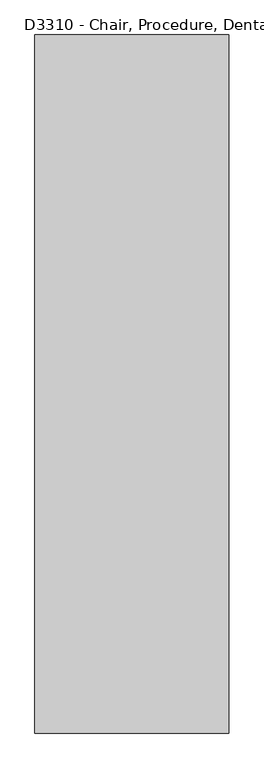
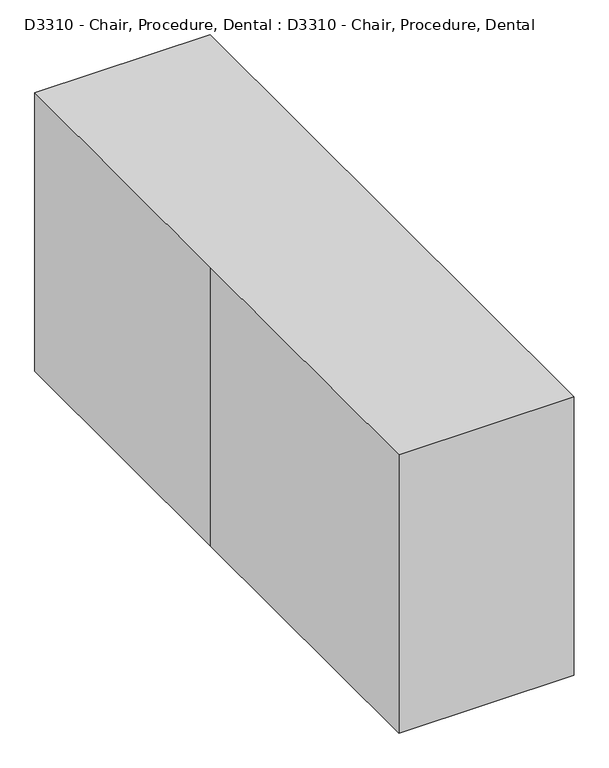
"""IFC4 building model written with IfcOpenShell, lengths in millimetres: proxy geometry, D3310 - Chair, Procedure, Dental : D3310 - Chair, Procedure, Dental."""

from ifc_helpers import new_model, si_unit, point, frame, frame_2d, origin, origin_with_axes, place, context, project, spatial, polyline, circle_curve, ellipse_curve, trimmed, segment, composite_curve, outline, extrude, source, transform, mapped, element, save
from ifc_brep_helpers import plane_surface, spline_surface, advanced_brep


def d3310_chair_procedure_dental_d3310_chair_procedure_dental_46d4fcfd(model_context):
    return source(origin(), model_context, "Body", "SolidModel", [
        extrude(outline(composite_curve([segment(trimmed(circle_curve(frame_2d((489.7654805, 647.772225)), 31.75), [point((504.1673656, 676.0679527))], [point((478.9625427, 617.9165884))], False, "CARTESIAN"), True, "CONTINUOUS"), segment(polyline([(478.9625427, 617.9165884), (206.8538697, 716.3761557), (73.5038697, 716.3761557), (73.5038697, 741.7761557), (219.5538697, 741.7761557), (504.1673656, 676.0679527)]), True, "CONTINUOUS")], self_intersect=False)), frame((253.0723452, 0.0, 0.0), z_axis=(1.0, 0.0, 0.0), x_axis=(0.0, 1.0, 0.0)), (0.0, 0.0, 1.0), 50.8),
        extrude(outline(composite_curve([segment(trimmed(circle_curve(frame_2d((489.7654805, 647.772225)), 31.75), [point((504.1673656, 676.0679527))], [point((478.9625427, 617.9165884))], False, "CARTESIAN"), True, "CONTINUOUS"), segment(polyline([(478.9625427, 617.9165884), (206.8538697, 716.3761557), (73.5038697, 716.3761557), (73.5038697, 741.7761557), (219.5538697, 741.7761557), (504.1673656, 676.0679527)]), True, "CONTINUOUS")], self_intersect=False)), frame((-303.8723452, 0.0, 0.0), z_axis=(1.0, 0.0, 0.0), x_axis=(0.0, 1.0, 0.0)), (0.0, 0.0, 1.0), 50.8),
        extrude(outline(polyline([(310.7877426, 480.8103013), (395.9168302, 542.6602038), (411.5546317, 522.6447306), (310.7877426, 449.4333003), (310.7877426, 480.8103013)])), frame((-50.8, 0.0, 0.0), z_axis=(1.0, 0.0, 0.0), x_axis=(0.0, 1.0, 0.0)), (0.0, 0.0, 1.0), 101.6),
        extrude(outline(polyline([(0.0, -12.7000001), (0.0, 0.0), (50.8, 0.0), (50.8, -12.7000001), (0.0, -12.7000001)])), frame((25.4, 864.322553, 876.3857997), z_axis=(0.0, -0.6156614753256595, 0.788010753606721), x_axis=(-1.0, 0.0, 0.0)), (0.0, 0.0, 1.0), 25.4),
        extrude(outline(composite_curve([segment(trimmed(circle_curve(frame_2d((208.2843618, -50.8)), 50.8), [point((208.2843618, 0.0))], [point((243.3133982, -14.0086069))], False, "CARTESIAN"), True, "CONTINUOUS"), segment(polyline([(243.3133982, -14.0086069), (332.2133982, -167.9879237)]), True, "CONTINUOUS"), segment(trimmed(circle_curve(frame_2d((16.6967808, -350.1515277)), 364.327208), [point((332.2133982, -167.9879237))], [point((381.0, -345.9707394))], False, "CARTESIAN"), True, "CONTINUOUS"), segment(polyline([(381.0, -345.9707394), (381.0, -422.1707394)]), True, "CONTINUOUS"), segment(trimmed(circle_curve(frame_2d((182.0559291, -422.1707394)), 198.9440709), [point((381.0, -422.1707394))], [point((309.9347129, -574.5707394))], False, "CARTESIAN"), True, "CONTINUOUS"), segment(polyline([(309.9347129, -574.5707394), (-50.8, -574.5707394)]), True, "CONTINUOUS"), segment(trimmed(circle_curve(frame_2d((22.4448791, -442.6982999)), 150.8481111), [point((-50.8, -574.5707394))], [point((-127.0, -422.1707394))], False, "CARTESIAN"), True, "CONTINUOUS"), segment(polyline([(-127.0, -422.1707394), (-127.0, -345.9707394)]), True, "CONTINUOUS"), segment(trimmed(circle_curve(frame_2d((237.3032192, -350.1515277)), 364.327208), [point((-127.0, -345.9707394))], [point((-78.2133982, -167.9879237))], False, "CARTESIAN"), True, "CONTINUOUS"), segment(polyline([(-78.2133982, -167.9879237), (10.6866018, -14.0086069)]), True, "CONTINUOUS"), segment(trimmed(circle_curve(frame_2d((45.7156382, -50.8)), 50.8), [point((10.6866018, -14.0086069))], [point((45.7156382, 0.0))], False, "CARTESIAN"), True, "CONTINUOUS"), segment(polyline([(45.7156382, 0.0), (208.2843618, 0.0)]), True, "CONTINUOUS")], self_intersect=False)), frame((-127.0, 864.322553, 876.3857997), z_axis=(0.0, -0.6156614753256581, 0.7880107536067222), x_axis=(1.0, 0.0, 0.0)), (0.0, 0.0, 1.0), 25.4),
        extrude(outline(composite_curve([segment(trimmed(circle_curve(frame_2d((101.6, -50.8)), 50.8), [point((101.6, 0.0))], [point((152.4, -50.8))], False, "CARTESIAN"), True, "CONTINUOUS"), segment(polyline([(152.4, -50.8), (152.4, -101.6)]), True, "CONTINUOUS"), segment(trimmed(circle_curve(frame_2d((101.6, -101.6)), 50.8), [point((152.4, -101.6))], [point((101.6, -152.3999999))], False, "CARTESIAN"), True, "CONTINUOUS"), segment(polyline([(101.6, -152.3999999), (50.8, -152.3999999)]), True, "CONTINUOUS"), segment(trimmed(circle_curve(frame_2d((50.8, -101.6)), 50.8), [point((50.8, -152.3999999))], [point((0.0, -101.6))], False, "CARTESIAN"), True, "CONTINUOUS"), segment(polyline([(0.0, -101.6), (0.0, -50.8)]), True, "CONTINUOUS"), segment(trimmed(circle_curve(frame_2d((50.8, -50.8)), 50.8), [point((0.0, -50.8))], [point((50.8, 0.0))], False, "CARTESIAN"), True, "CONTINUOUS"), segment(polyline([(50.8, 0.0), (101.6, 0.0)]), True, "CONTINUOUS")], self_intersect=False)), frame((-76.2, 994.4231284, 978.0315093), z_axis=(0.0, -0.6156614753256581, 0.7880107536067222), x_axis=(1.0, 0.0, 0.0)), (0.0, 0.0, 1.0), 25.4),
        extrude(outline(composite_curve([segment(trimmed(circle_curve(frame_2d((208.2843618, -50.8)), 50.8), [point((208.2843618, 0.0))], [point((243.3133982, -14.0086069))], False, "CARTESIAN"), True, "CONTINUOUS"), segment(polyline([(243.3133982, -14.0086069), (332.2133982, -167.9879237)]), True, "CONTINUOUS"), segment(trimmed(circle_curve(frame_2d((16.6967808, -350.1515277)), 364.327208), [point((332.2133982, -167.9879237))], [point((381.0, -345.9707394))], False, "CARTESIAN"), True, "CONTINUOUS"), segment(polyline([(381.0, -345.9707394), (381.0, -422.1707394)]), True, "CONTINUOUS"), segment(trimmed(circle_curve(frame_2d((182.0559291, -422.1707394)), 198.9440709), [point((381.0, -422.1707394))], [point((309.9347129, -574.5707394))], False, "CARTESIAN"), True, "CONTINUOUS"), segment(polyline([(309.9347129, -574.5707394), (-50.8, -574.5707394)]), True, "CONTINUOUS"), segment(trimmed(circle_curve(frame_2d((22.4448791, -442.6982998)), 150.8481111), [point((-50.8, -574.5707394))], [point((-127.0, -422.1707394))], False, "CARTESIAN"), True, "CONTINUOUS"), segment(polyline([(-127.0, -422.1707394), (-127.0, -345.9707394)]), True, "CONTINUOUS"), segment(trimmed(circle_curve(frame_2d((237.3032192, -350.1515277)), 364.327208), [point((-127.0, -345.9707394))], [point((-78.2133982, -167.9879237))], False, "CARTESIAN"), True, "CONTINUOUS"), segment(polyline([(-78.2133982, -167.9879237), (10.6866018, -14.0086069)]), True, "CONTINUOUS"), segment(trimmed(circle_curve(frame_2d((45.7156382, -50.8)), 50.8), [point((10.6866018, -14.0086069))], [point((45.7156382, 0.0))], False, "CARTESIAN"), True, "CONTINUOUS"), segment(polyline([(45.7156382, 0.0), (208.2843618, 0.0)]), True, "CONTINUOUS")], self_intersect=False)), frame((-127.0, 848.6847515, 896.4012729), z_axis=(0.0, -0.6156614753256581, 0.7880107536067222), x_axis=(1.0, 0.0, 0.0)), (0.0, 0.0, 1.0), 50.8),
        extrude(outline(composite_curve([segment(trimmed(circle_curve(frame_2d((101.6, -50.8)), 50.8), [point((101.6, 0.0))], [point((152.4, -50.8))], False, "CARTESIAN"), True, "CONTINUOUS"), segment(polyline([(152.4, -50.8), (152.4, -101.6)]), True, "CONTINUOUS"), segment(trimmed(circle_curve(frame_2d((101.6, -101.6)), 50.8), [point((152.4, -101.6))], [point((101.6, -152.4))], False, "CARTESIAN"), True, "CONTINUOUS"), segment(polyline([(101.6, -152.4), (50.8, -152.4)]), True, "CONTINUOUS"), segment(trimmed(circle_curve(frame_2d((50.8, -101.6)), 50.8), [point((50.8, -152.4))], [point((0.0, -101.6))], False, "CARTESIAN"), True, "CONTINUOUS"), segment(polyline([(0.0, -101.6), (0.0, -50.8)]), True, "CONTINUOUS"), segment(trimmed(circle_curve(frame_2d((50.8, -50.8)), 50.8), [point((0.0, -50.8))], [point((50.8, 0.0))], False, "CARTESIAN"), True, "CONTINUOUS"), segment(polyline([(50.8, 0.0), (101.6, 0.0)]), True, "CONTINUOUS")], self_intersect=False)), frame((-76.2, 978.7853269, 998.0469825), z_axis=(0.0, -0.6156614753256581, 0.7880107536067222), x_axis=(1.0, 0.0, 0.0)), (0.0, 0.0, 1.0), 50.8),
        extrude(outline(polyline([(336.1877426, 524.8043918), (310.7877426, 480.8103013), (-272.8576262, 594.2594685), (-295.1268804, 639.918206), (336.1877426, 524.8043918)])), frame((-254.0, 0.0, 0.0), z_axis=(1.0, 0.0, 0.0), x_axis=(0.0, 1.0, 0.0)), (0.0, 0.0, 1.0), 508.0),
        extrude(outline(composite_curve([segment(polyline([(508.0, 0.0), (483.6685174, -549.7937574)]), True, "CONTINUOUS"), segment(trimmed(circle_curve(frame_2d((331.417541, -543.0557907)), 152.4), [point((483.6685174, -549.7937574))], [point((474.1141077, -596.5670032))], False, "CARTESIAN"), True, "CONTINUOUS"), segment(polyline([(474.1141077, -596.5670032), (443.4832953, -678.2491695)]), True, "CONTINUOUS"), segment(trimmed(circle_curve(frame_2d((300.7867287, -624.737957)), 152.4), [point((443.4832953, -678.2491695))], [point((300.7867287, -777.1379569))], False, "CARTESIAN"), True, "CONTINUOUS"), segment(polyline([(300.7867287, -777.1379569), (207.2132713, -777.1379569)]), True, "CONTINUOUS"), segment(trimmed(circle_curve(frame_2d((207.2132713, -624.737957)), 152.4), [point((207.2132713, -777.1379569))], [point((64.5167047, -678.2491695))], False, "CARTESIAN"), True, "CONTINUOUS"), segment(polyline([(64.5167047, -678.2491695), (33.8858923, -596.5670032)]), True, "CONTINUOUS"), segment(trimmed(circle_curve(frame_2d((176.582459, -543.0557907)), 152.4), [point((33.8858923, -596.5670032))], [point((24.3314826, -549.7937574))], False, "CARTESIAN"), True, "CONTINUOUS"), segment(polyline([(24.3314826, -549.7937574), (0.0, 0.0), (508.0, 0.0)]), True, "CONTINUOUS")], self_intersect=False)), frame((-254.0, -272.8576262, 594.2594685), z_axis=(0.0, -0.4383711467890792, 0.8987940462991661), x_axis=(1.0, 0.0, 0.0)), (0.0, 0.0, 1.0), 50.8),
        extrude(outline(composite_curve([segment(polyline([(-272.8576262, 594.2594685), (310.7877426, 480.8103013), (310.7877426, 452.8366621)]), True, "CONTINUOUS"), segment(trimmed(circle_curve(frame_2d((259.9877426, 452.8366621)), 50.8), [point((310.7877426, 452.8366621))], [point((259.9877426, 402.0366621))], False, "CARTESIAN"), True, "CONTINUOUS"), segment(polyline([(259.9877426, 402.0366621), (90.373422, 402.0366621)]), True, "CONTINUOUS"), segment(trimmed(circle_curve(frame_2d((90.373422, 452.8366621)), 50.8), [point((90.373422, 402.0366621))], [point((74.4163817, 404.6079065))], False, "CARTESIAN"), True, "CONTINUOUS"), segment(polyline([(74.4163817, 404.6079065), (-364.1751013, 549.7209599), (-272.8576262, 594.2594685)]), True, "CONTINUOUS")], self_intersect=False)), frame((-254.0, 0.0, 0.0), z_axis=(1.0, 0.0, 0.0), x_axis=(0.0, 1.0, 0.0)), (0.0, 0.0, 1.0), 508.0),
        extrude(outline(composite_curve([segment(trimmed(circle_curve(frame_2d((154.8195441, 313.1366621)), 80.8223051), [point((235.6418492, 313.1366621))], [point((154.8195441, 232.314357))], False, "CARTESIAN"), True, "CONTINUOUS"), segment(polyline([(154.8195441, 232.314357), (135.7695441, 232.314357)]), True, "CONTINUOUS"), segment(trimmed(circle_curve(frame_2d((135.7695441, 411.5922374)), 179.2778804), [point((135.7695441, 232.314357))], [point((-40.7847024, 442.7235146))], False, "CARTESIAN"), True, "CONTINUOUS"), segment(polyline([(-40.7847024, 442.7235146), (74.4163817, 404.6079065)]), True, "CONTINUOUS"), segment(trimmed(circle_curve(frame_2d((90.373422, 452.8366621)), 50.8), [point((74.4163817, 404.6079065))], [point((88.8729292, 402.0588271))], True, "CARTESIAN"), True, "CONTINUOUS"), segment(polyline([(88.8729292, 402.0588271), (235.6418492, 402.0588271), (235.6418492, 313.1366621)]), True, "CONTINUOUS")], self_intersect=False)), frame((-152.4, 0.0, 0.0), z_axis=(1.0, 0.0, 0.0), x_axis=(0.0, 1.0, 0.0)), (0.0, 0.0, 1.0), 304.8),
        extrude(outline(composite_curve([segment(polyline([(-203.6480621, 317.5988676), (-34.8553722, 356.5677306)]), True, "CONTINUOUS"), segment(trimmed(circle_curve(frame_2d((135.7695441, 411.5922374)), 179.2778804), [point((-34.8553722, 356.5677306))], [point((43.7175474, 257.7514485))], True, "CARTESIAN"), True, "CONTINUOUS"), segment(polyline([(43.7175474, 257.7514485), (-123.4829714, 209.8074713)]), True, "CONTINUOUS"), segment(trimmed(circle_curve(frame_2d((-381.5323002, 101.6)), 279.8183571), [point((-123.4829714, 209.8074713))], [point((-203.6480621, 317.5988676))], True, "CARTESIAN"), True, "CONTINUOUS")], self_intersect=False)), frame((-101.6, 0.0, 0.0), z_axis=(1.0, 0.0, 0.0), x_axis=(0.0, 1.0, 0.0)), (0.0, 0.0, 1.0), 203.2),
        extrude(outline(composite_curve([segment(polyline([(-101.7139431, 101.6), (-101.7139431, 50.8), (-635.0, 50.8), (-635.0, 0.0), (-849.2666885, 0.0), (-849.2666885, 50.8)]), True, "CONTINUOUS"), segment(trimmed(circle_curve(frame_2d((-318.519921, -255.6267891)), 612.8535782), [point((-849.2666885, 50.8))], [point((-318.519921, 357.2267891))], False, "CARTESIAN"), True, "CONTINUOUS"), segment(polyline([(-318.519921, 357.2267891), (-267.719921, 357.2267891)]), True, "CONTINUOUS"), segment(trimmed(circle_curve(frame_2d((-381.5323002, 101.6)), 279.8183571), [point((-267.719921, 357.2267891))], [point((-101.7139431, 101.6))], False, "CARTESIAN"), True, "CONTINUOUS")], self_intersect=False)), frame((-152.4, 0.0, 0.0), z_axis=(1.0, 0.0, 0.0), x_axis=(0.0, 1.0, 0.0)), (0.0, 0.0, 1.0), 304.8),
        extrude(outline(polyline([(368.7784529, 132.1863323), (418.5919512, 122.2236326), (418.5919512, 115.8736326), (368.7784529, 125.8363323), (368.7784529, 132.1863323)])), frame((-48.8615302, 0.0, 0.0), z_axis=(1.0, 0.0, 0.0), x_axis=(0.0, 1.0, 0.0)), (0.0, 0.0, 1.0), 36.3232839),
        extrude(outline(polyline([(368.7784529, 132.1863323), (418.5919512, 122.2236326), (418.5919512, 115.8736326), (368.7784529, 125.8363323), (368.7784529, 132.1863323)])), frame((12.5382463, 0.0, 0.0), z_axis=(1.0, 0.0, 0.0), x_axis=(0.0, 1.0, 0.0)), (0.0, 0.0, 1.0), 36.3232839),
        extrude(outline(polyline([(426.4601145, 101.6), (356.2918492, 101.6), (356.2918492, 128.3336531), (426.4601145, 114.3), (426.4601145, 101.6)])), frame((-63.5, 0.0, 0.0), z_axis=(1.0, 0.0, 0.0), x_axis=(0.0, 1.0, 0.0)), (0.0, 0.0, 1.0), 127.0),
        advanced_brep(
        [(101.6, 392.0977021, 101.6), (-101.6, 392.0977021, 101.6), (127.0, 392.0977021, 50.8), (-127.0, 392.0977021, 50.8)],
        [
            (0, 1, ellipse_curve(frame((0.0, 392.0977021, 101.6), z_axis=(0.0, 0.0, 1.0), x_axis=(-1.0, 0.0, 0.0)), 101.6, 50.8)),
            (1, 0, ellipse_curve(frame((0.0, 392.0977021, 101.6), z_axis=(0.0, 0.0, 1.0), x_axis=(-1.0, 0.0, 0.0)), 101.6, 50.8)),
            (2, 3, ellipse_curve(frame((0.0, 392.0977021, 50.8), z_axis=(0.0, 0.0, -1.0), x_axis=(-1.0, 0.0, 0.0)), 127.0, 63.5)),
            (3, 2, ellipse_curve(frame((0.0, 392.0977021, 50.8), z_axis=(0.0, 0.0, -1.0), x_axis=(-1.0, 0.0, 0.0)), 127.0, 63.5)),
            (3, 1),
            (0, 2),
        ],
        [
            plane_surface(frame((0.0, 392.0977021, 101.6), z_axis=(0.0, 0.0, 1.0), x_axis=(0.0, 1.0, 0.0))),
            plane_surface(frame((0.0, 392.0977021, 50.8), z_axis=(0.0, 0.0, -1.0), x_axis=(0.0, 1.0, 0.0))),
            spline_surface(2, 1, [[(127.0, 392.0977021, 50.8), (101.6, 392.0977021, 101.6)], [(127.0, 455.5977021, 50.8), (101.6, 442.8977021, 101.6)], [(0.0, 455.5977021, 50.8), (0.0, 442.8977021, 101.6)], [(-127.0, 455.5977021, 50.8), (-101.6, 442.8977021, 101.6)], [(-127.0, 392.0977021, 50.8), (-101.6, 392.0977021, 101.6)]], [3, 2, 3], [2, 2], [0.0, 1.0, 2.0], [0.0, 1.0], weights=[[1.0, 1.0], [0.7071067811865476, 0.7071067811865476], [1.0, 1.0], [0.7071067811865476, 0.7071067811865476], [1.0, 1.0]]),
            spline_surface(2, 1, [[(-127.0, 392.0977021, 50.8), (-101.6, 392.0977021, 101.6)], [(-127.0, 328.5977021, 50.8), (-101.6, 341.2977021, 101.6)], [(0.0, 328.5977021, 50.8), (0.0, 341.2977021, 101.6)], [(127.0, 328.5977021, 50.8), (101.6, 341.2977021, 101.6)], [(127.0, 392.0977021, 50.8), (101.6, 392.0977021, 101.6)]], [3, 2, 3], [2, 2], [0.0, 1.0, 2.0], [0.0, 1.0], weights=[[1.0, 1.0], [0.7071067811865476, 0.7071067811865476], [1.0, 1.0], [0.7071067811865476, 0.7071067811865476], [1.0, 1.0]]),
        ],
        [
            (0, [[1, 2]]),
            (1, [[3, 4]]),
            (2, [[-4, 5, -1, 6]]),
            (3, [[-3, -6, -2, -5]]),
        ],
    ),
        extrude(outline(composite_curve([segment(trimmed(circle_curve(frame_2d((-152.4, -203.0820374)), 50.8), [point((-203.2, -203.0820374))], [point((-201.469032, -189.9340299))], False, "CARTESIAN"), True, "CONTINUOUS"), segment(polyline([(-201.469032, -189.9340299), (-120.3649343, 112.7505833)]), True, "CONTINUOUS"), segment(trimmed(circle_curve(frame_2d((-169.4339663, 125.8985908)), 50.8), [point((-120.3649343, 112.7505833))], [point((-118.6339663, 125.8985908))], True, "CARTESIAN"), True, "CONTINUOUS"), segment(polyline([(-118.6339663, 125.8985908), (-118.6339663, 275.9685949)]), True, "CONTINUOUS"), segment(trimmed(circle_curve(frame_2d((-169.4339663, 275.9685949)), 50.8), [point((-118.6339663, 275.9685949))], [point((-133.5129418, 311.8896194))], True, "CARTESIAN"), True, "CONTINUOUS"), segment(polyline([(-133.5129418, 311.8896194), (-162.9210245, 341.2977021)]), True, "CONTINUOUS"), segment(trimmed(circle_curve(frame_2d((-127.0, 377.2187266)), 50.8), [point((-162.9210245, 341.2977021))], [point((-177.8, 377.2187266))], False, "CARTESIAN"), True, "CONTINUOUS"), segment(polyline([(-177.8, 377.2187266), (-177.8, 406.9766776)]), True, "CONTINUOUS"), segment(trimmed(circle_curve(frame_2d((-127.0, 406.9766776)), 50.8), [point((-177.8, 406.9766776))], [point((-127.0, 457.7766776))], False, "CARTESIAN"), True, "CONTINUOUS"), segment(polyline([(-127.0, 457.7766776), (127.0, 457.7766776)]), True, "CONTINUOUS"), segment(trimmed(circle_curve(frame_2d((127.0, 406.9766776)), 50.8), [point((127.0, 457.7766776))], [point((177.8, 406.9766776))], False, "CARTESIAN"), True, "CONTINUOUS"), segment(polyline([(177.8, 406.9766776), (177.8, 377.2187266)]), True, "CONTINUOUS"), segment(trimmed(circle_curve(frame_2d((127.0, 377.2187266)), 50.8), [point((177.8, 377.2187266))], [point((162.9210245, 341.2977021))], False, "CARTESIAN"), True, "CONTINUOUS"), segment(polyline([(162.9210245, 341.2977021), (133.5129418, 311.8896194)]), True, "CONTINUOUS"), segment(trimmed(circle_curve(frame_2d((169.4339663, 275.9685949)), 50.8), [point((133.5129418, 311.8896194))], [point((118.6339663, 275.9685949))], True, "CARTESIAN"), True, "CONTINUOUS"), segment(polyline([(118.6339663, 275.9685949), (118.6339663, 125.8985908)]), True, "CONTINUOUS"), segment(trimmed(circle_curve(frame_2d((169.4339663, 125.8985908)), 50.8), [point((118.6339663, 125.8985908))], [point((120.3649343, 112.7505833))], True, "CARTESIAN"), True, "CONTINUOUS"), segment(polyline([(120.3649343, 112.7505833), (201.469032, -189.9340299)]), True, "CONTINUOUS"), segment(trimmed(circle_curve(frame_2d((152.4, -203.0820374)), 50.8), [point((201.469032, -189.9340299))], [point((203.2, -203.0820374))], False, "CARTESIAN"), True, "CONTINUOUS"), segment(polyline([(203.2, -203.0820374), (203.2, -584.2)]), True, "CONTINUOUS"), segment(trimmed(circle_curve(frame_2d((152.4, -584.2)), 50.8), [point((203.2, -584.2))], [point((152.4, -635.0))], False, "CARTESIAN"), True, "CONTINUOUS"), segment(polyline([(152.4, -635.0), (-152.4, -635.0)]), True, "CONTINUOUS"), segment(trimmed(circle_curve(frame_2d((-152.4, -584.2)), 50.8), [point((-152.4, -635.0))], [point((-203.2, -584.2))], False, "CARTESIAN"), True, "CONTINUOUS"), segment(polyline([(-203.2, -584.2), (-203.2, -203.0820374)]), True, "CONTINUOUS")], self_intersect=False)), origin_with_axes(), (0.0, 0.0, 1.0), 50.8),
        extrude(outline(polyline([(-317.5, -1143.0), (-317.5, 38.1), (-317.5, 1143.0), (317.5, 1143.0), (317.5, -1143.0), (-317.5, -1143.0)])), origin_with_axes(), (0.0, 0.0, 1.0), 1066.8),
    ])


if __name__ == "__main__":
    model = new_model("IFC4")
    model_context = context("Model", 3, world=origin())
    ifc_project = project(units=[si_unit("LENGTHUNIT", "METRE", prefix="MILLI")], contexts=[model_context])
    site = spatial("IfcSite", under=ifc_project)
    building = spatial("IfcBuilding", under=site)
    placement = place(None, origin())
    d3310_chair_procedure_dental_d3310_chair_procedure_dental_shape = d3310_chair_procedure_dental_d3310_chair_procedure_dental_46d4fcfd(model_context)
    element("IfcBuildingElementProxy", 1, Name="D3310 - Chair, Procedure, Dental : D3310 - Chair, Procedure, Dental", ObjectType="D3310 - Chair, Procedure, Dental : D3310 - Chair, Procedure, Dental", at=placement, inside=building, context=model_context, shape_type="MappedRepresentation", body=[
        mapped(d3310_chair_procedure_dental_d3310_chair_procedure_dental_shape, transform((0.0, 0.0, 0.0), x_axis=(1.0, 0.0, 0.0), y_axis=(0.0, 1.0, 0.0), z_axis=(0.0, 0.0, 1.0))),
    ])
    save(model, "model.ifc")
